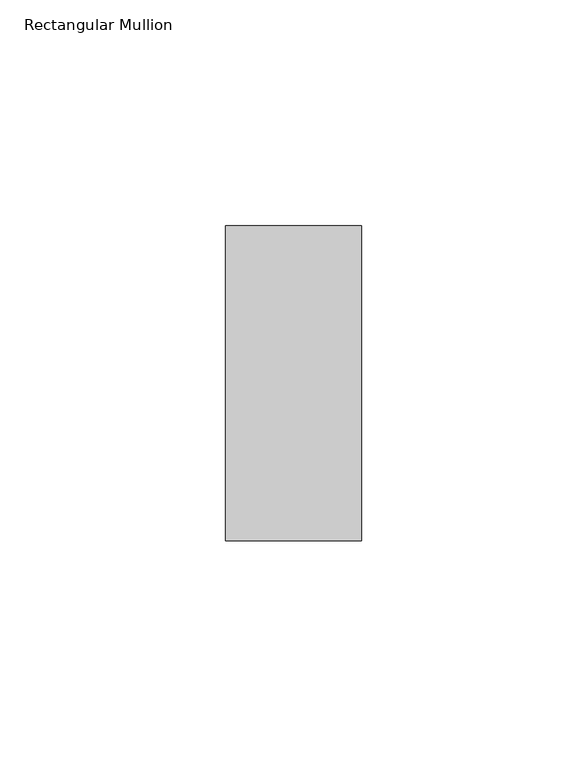
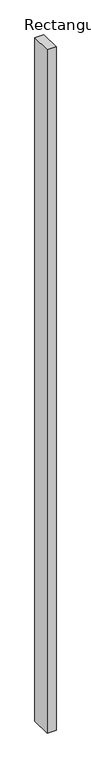
"""IFC4 building model written with IfcOpenShell, lengths in millimetres: member geometry, Rectangular Mullion."""

import ifcopenshell
import ifcopenshell.guid

model = None  # the IFC model being written
_history = None  # IfcOwnerHistory: only IFC2X3 demands one
_inside = {}  # id of a spatial element -> (the spatial element, [elements in it])
_under = {}  # id of a project, library or spatial element -> (it, [spatial elements below it])
_declared = {}  # id of a project -> (the project, [libraries it declares])
_typed = {}  # id of a type object -> (the type object, [elements of that type])
_made_of = {}  # id of a material, layer set ... -> (it, [elements and type objects made of it])


def new_model(schema):
    """Start an empty IFC model of exactly this schema.

    Asked for "IFC4X3", IfcOpenShell would pick the latest addendum, in which some entities
    have other attributes; the version numbers below select the first issue.
    IFC2X3 requires an IfcOwnerHistory on every rooted entity: one is made here for all.
    """
    global model, _history
    if schema == "IFC4X3":
        model = ifcopenshell.file(schema_version=(4, 3, 0, 0))
    else:
        model = ifcopenshell.file(schema=schema)
    _inside.clear()
    _under.clear()
    _declared.clear()
    _typed.clear()
    _made_of.clear()
    _history = None
    if model.schema == "IFC2X3":
        org = make("IfcOrganization", Name="unknown")
        user = make(
            "IfcPersonAndOrganization",
            ThePerson=make("IfcPerson", FamilyName="unknown"),
            TheOrganization=org,
        )
        app = make(
            "IfcApplication",
            ApplicationDeveloper=org,
            Version="unknown",
            ApplicationFullName="unknown",
            ApplicationIdentifier="unknown",
        )
        _history = make(
            "IfcOwnerHistory",
            OwningUser=user,
            OwningApplication=app,
            ChangeAction="ADDED",
            CreationDate=0,
        )
    return model


def make(cls, **values):
    """One entity of the class cls with the attributes given. An attribute that is None is left unset."""
    return model.create_entity(
        cls, **{name: value for name, value in values.items() if value is not None}
    )


def rooted(cls, **values):
    """An entity with a GlobalId (a new one), such as an element, a storey or a relation."""
    return make(cls, GlobalId=ifcopenshell.guid.new(), OwnerHistory=_history, **values)


def si_unit(unit_type, name, prefix=None):
    """IfcSIUnit, for example si_unit("LENGTHUNIT", "METRE", prefix="MILLI")."""
    return make("IfcSIUnit", UnitType=unit_type, Prefix=prefix, Name=name)


def assignment(units):
    """IfcUnitAssignment: the units of a project."""
    return None if units is None else make("IfcUnitAssignment", Units=units)


def point(xyz):
    """IfcCartesianPoint."""
    return None if xyz is None else make("IfcCartesianPoint", Coordinates=xyz)


def direction(xyz):
    """IfcDirection."""
    return None if xyz is None else make("IfcDirection", DirectionRatios=xyz)


def frame(location, z_axis=None, x_axis=None):
    """IfcAxis2Placement3D, a coordinate frame: its origin and axes. An axis left out is left unset."""
    return make(
        "IfcAxis2Placement3D",
        Location=point(location),
        Axis=direction(z_axis),
        RefDirection=direction(x_axis),
    )


def origin():
    """The frame at (0, 0, 0) with its axes left unset."""
    return frame((0.0, 0.0, 0.0))


def place(relative_to, where):
    """IfcLocalPlacement: puts the frame where relative to a parent placement (None: the world)."""
    return make(
        "IfcLocalPlacement", PlacementRelTo=relative_to, RelativePlacement=where
    )


def context(
    kind, dimensions, precision=None, world=None, true_north=None, identifier=None
):
    """IfcGeometricRepresentationContext, for example the 3D "Model" context."""
    return make(
        "IfcGeometricRepresentationContext",
        ContextIdentifier=identifier,
        ContextType=kind,
        CoordinateSpaceDimension=dimensions,
        Precision=precision,
        WorldCoordinateSystem=world,
        TrueNorth=true_north,
    )


def project(units=None, contexts=None):
    """IfcProject with its units and contexts."""
    return rooted(
        "IfcProject",
        Name="project",
        RepresentationContexts=contexts,
        UnitsInContext=assignment(units),
    )


def spatial(cls, under=None, at=None, **own):
    """A site, building, storey or space (cls), placed at a placement, below another one or the project."""
    s = rooted(cls, ObjectPlacement=at, **own)
    if under is not None:
        _under.setdefault(under.id(), (under, []))[1].append(s)
    return s


def polyline(points):
    """IfcPolyline through the points."""
    return make("IfcPolyline", Points=[point(p) for p in points])


def outline(outer, holes=None, kind="AREA"):
    """IfcArbitraryClosedProfileDef: a profile drawn as a closed curve; with holes, ...WithVoids."""
    if holes is None:
        return make("IfcArbitraryClosedProfileDef", ProfileType=kind, OuterCurve=outer)
    return make(
        "IfcArbitraryProfileDefWithVoids",
        ProfileType=kind,
        OuterCurve=outer,
        InnerCurves=holes,
    )


def extrude(swept, where, along, depth):
    """IfcExtrudedAreaSolid: the profile swept, set in the frame where, extruded along a direction by depth."""
    return make(
        "IfcExtrudedAreaSolid",
        SweptArea=swept,
        Position=where,
        ExtrudedDirection=direction(along),
        Depth=depth,
    )


def shape(context_of_items, identifier, shape_type, items):
    """IfcShapeRepresentation: the items that make up one representation, for example the "Body"."""
    return make(
        "IfcShapeRepresentation",
        ContextOfItems=context_of_items,
        RepresentationIdentifier=identifier,
        RepresentationType=shape_type,
        Items=items,
    )


def source(mapping_origin, context_of_items, identifier, shape_type, items):
    """IfcRepresentationMap: a shape defined once, which mapped items show again and again."""
    return make(
        "IfcRepresentationMap",
        MappingOrigin=mapping_origin,
        MappedRepresentation=shape(context_of_items, identifier, shape_type, items),
    )


def transform(
    local_origin,
    x_axis=None,
    y_axis=None,
    z_axis=None,
    scale=None,
    scale2=None,
    scale3=None,
    uniform=True,
):
    """IfcCartesianTransformationOperator3D, or its non-uniform kind. x_axis, y_axis, z_axis: its Axis1, 2, 3."""
    if uniform:
        return make(
            "IfcCartesianTransformationOperator3D",
            Axis1=direction(x_axis),
            Axis2=direction(y_axis),
            LocalOrigin=point(local_origin),
            Scale=scale,
            Axis3=direction(z_axis),
        )
    return make(
        "IfcCartesianTransformationOperator3DnonUniform",
        Axis1=direction(x_axis),
        Axis2=direction(y_axis),
        LocalOrigin=point(local_origin),
        Scale=scale,
        Axis3=direction(z_axis),
        Scale2=scale2,
        Scale3=scale3,
    )


def mapped(mapping_source, mapping_target):
    """IfcMappedItem: shows the shape of a source again, moved by a transform."""
    return make(
        "IfcMappedItem", MappingSource=mapping_source, MappingTarget=mapping_target
    )


def made_of(thing, what):
    """Note that an element or type object is made of a material, layer set ...; save() writes the relation."""
    if what is not None:
        _made_of.setdefault(what.id(), (what, []))[1].append(thing)
    return thing


def element(
    cls,
    number,
    at=None,
    inside=None,
    cuts=None,
    type_object=None,
    material=None,
    context=None,
    identifier="Body",
    shape_type=None,
    held_by="IfcProductDefinitionShape",
    body=None,
    shapes=None,
    **own,
):
    """One element of the class cls, such as IfcWall. Its Tag is "e" and its number.

    at: its placement. inside: the storey or other place that contains it. cuts: it is an
    opening in that element (IfcRelVoidsElement). A single representation is given by context,
    identifier, shape_type and body (its items); several are given by shapes. held_by: the class
    of the entity that holds the representations. save() writes the other relations.
    """
    e = rooted(cls, Tag="e%d" % number, ObjectPlacement=at, **own)
    if body is not None:
        shapes = [shape(context, identifier, shape_type, body)]
    if shapes is not None:
        e.Representation = make(held_by, Representations=shapes)
    if inside is not None:
        _inside.setdefault(inside.id(), (inside, []))[1].append(e)
    if cuts is not None:
        rooted(
            "IfcRelVoidsElement", RelatingBuildingElement=cuts, RelatedOpeningElement=e
        )
    if type_object is not None:
        _typed.setdefault(type_object.id(), (type_object, []))[1].append(e)
    return made_of(e, material)


def aggregate(whole, parts):
    """IfcRelAggregates: a whole, such as a stair, and the parts it consists of."""
    return rooted("IfcRelAggregates", RelatingObject=whole, RelatedObjects=parts)


def save(model, path):
    """Write the relations noted so far, then the file.

    IfcRelAggregates (storeys below a building ...), IfcRelContainedInSpatialStructure (elements
    in a storey), IfcRelDefinesByType, IfcRelAssociatesMaterial and IfcRelDeclares: one each for
    every whole, place, type object, material and project.
    """
    for whole, parts in _under.values():
        aggregate(whole, parts)
    for where, things in _inside.values():
        rooted(
            "IfcRelContainedInSpatialStructure",
            RelatedElements=things,
            RelatingStructure=where,
        )
    for kind, things in _typed.values():
        rooted("IfcRelDefinesByType", RelatedObjects=things, RelatingType=kind)
    for what, things in _made_of.values():
        rooted("IfcRelAssociatesMaterial", RelatedObjects=things, RelatingMaterial=what)
    for by, libraries in _declared.values():
        rooted("IfcRelDeclares", RelatingContext=by, RelatedDefinitions=libraries)
    model.write(path)


def rectangular_mullion_93c2280a(model_context):
    return source(origin(), model_context, "Body", "SweptSolid", [
        extrude(outline(polyline([(0.0, 34.925), (0.0, -34.925), (-30.1625, -34.925), (-30.1625, 34.925), (0.0, 34.925)])), frame((0.0, 0.0, -2408.2375), z_axis=(0.0, 0.0, 1.0), x_axis=(1.0, 0.0, 0.0)), (0.0, 0.0, 1.0), 2408.2375),
    ])


if __name__ == "__main__":
    model = new_model("IFC4")
    model_context = context("Model", 3, world=origin())
    ifc_project = project(units=[si_unit("LENGTHUNIT", "METRE", prefix="MILLI")], contexts=[model_context])
    site = spatial("IfcSite", under=ifc_project)
    building = spatial("IfcBuilding", under=site)
    placement = place(None, origin())
    rectangular_mullion_shape = rectangular_mullion_93c2280a(model_context)
    element("IfcMember", 1, ObjectType="Rectangular Mullion", at=placement, inside=building, context=model_context, shape_type="MappedRepresentation", body=[
        mapped(rectangular_mullion_shape, transform((0.0, 0.0, 0.0), x_axis=(1.0, 0.0, 0.0), y_axis=(0.0, 1.0, 0.0), z_axis=(0.0, 0.0, 1.0))),
    ])
    save(model, "model.ifc")
